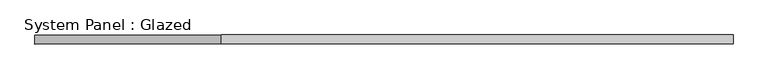
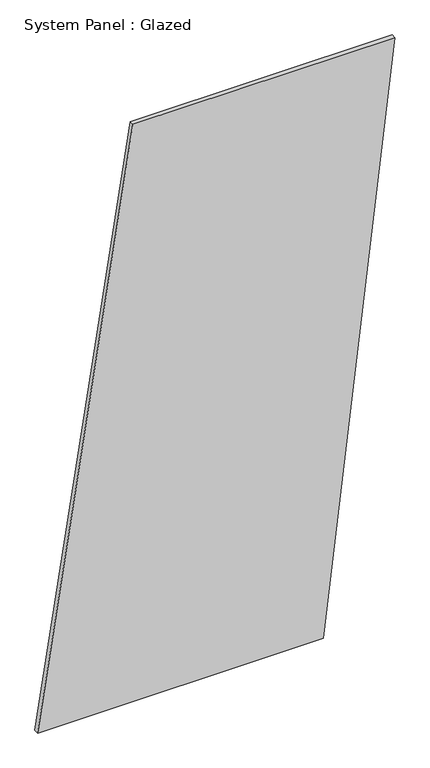
"""IFC4 building model written with IfcOpenShell, lengths in millimetres: plate geometry, System Panel : Glazed."""

import ifcopenshell
import ifcopenshell.guid

model = None  # the IFC model being written
_history = None  # IfcOwnerHistory: only IFC2X3 demands one
_inside = {}  # id of a spatial element -> (the spatial element, [elements in it])
_under = {}  # id of a project, library or spatial element -> (it, [spatial elements below it])
_declared = {}  # id of a project -> (the project, [libraries it declares])
_typed = {}  # id of a type object -> (the type object, [elements of that type])
_made_of = {}  # id of a material, layer set ... -> (it, [elements and type objects made of it])


def new_model(schema):
    """Start an empty IFC model of exactly this schema.

    Asked for "IFC4X3", IfcOpenShell would pick the latest addendum, in which some entities
    have other attributes; the version numbers below select the first issue.
    IFC2X3 requires an IfcOwnerHistory on every rooted entity: one is made here for all.
    """
    global model, _history
    if schema == "IFC4X3":
        model = ifcopenshell.file(schema_version=(4, 3, 0, 0))
    else:
        model = ifcopenshell.file(schema=schema)
    _inside.clear()
    _under.clear()
    _declared.clear()
    _typed.clear()
    _made_of.clear()
    _history = None
    if model.schema == "IFC2X3":
        org = make("IfcOrganization", Name="unknown")
        user = make(
            "IfcPersonAndOrganization",
            ThePerson=make("IfcPerson", FamilyName="unknown"),
            TheOrganization=org,
        )
        app = make(
            "IfcApplication",
            ApplicationDeveloper=org,
            Version="unknown",
            ApplicationFullName="unknown",
            ApplicationIdentifier="unknown",
        )
        _history = make(
            "IfcOwnerHistory",
            OwningUser=user,
            OwningApplication=app,
            ChangeAction="ADDED",
            CreationDate=0,
        )
    return model


def make(cls, **values):
    """One entity of the class cls with the attributes given. An attribute that is None is left unset."""
    return model.create_entity(
        cls, **{name: value for name, value in values.items() if value is not None}
    )


def rooted(cls, **values):
    """An entity with a GlobalId (a new one), such as an element, a storey or a relation."""
    return make(cls, GlobalId=ifcopenshell.guid.new(), OwnerHistory=_history, **values)


def si_unit(unit_type, name, prefix=None):
    """IfcSIUnit, for example si_unit("LENGTHUNIT", "METRE", prefix="MILLI")."""
    return make("IfcSIUnit", UnitType=unit_type, Prefix=prefix, Name=name)


def assignment(units):
    """IfcUnitAssignment: the units of a project."""
    return None if units is None else make("IfcUnitAssignment", Units=units)


def point(xyz):
    """IfcCartesianPoint."""
    return None if xyz is None else make("IfcCartesianPoint", Coordinates=xyz)


def direction(xyz):
    """IfcDirection."""
    return None if xyz is None else make("IfcDirection", DirectionRatios=xyz)


def frame(location, z_axis=None, x_axis=None):
    """IfcAxis2Placement3D, a coordinate frame: its origin and axes. An axis left out is left unset."""
    return make(
        "IfcAxis2Placement3D",
        Location=point(location),
        Axis=direction(z_axis),
        RefDirection=direction(x_axis),
    )


def origin():
    """The frame at (0, 0, 0) with its axes left unset."""
    return frame((0.0, 0.0, 0.0))


def place(relative_to, where):
    """IfcLocalPlacement: puts the frame where relative to a parent placement (None: the world)."""
    return make(
        "IfcLocalPlacement", PlacementRelTo=relative_to, RelativePlacement=where
    )


def context(
    kind, dimensions, precision=None, world=None, true_north=None, identifier=None
):
    """IfcGeometricRepresentationContext, for example the 3D "Model" context."""
    return make(
        "IfcGeometricRepresentationContext",
        ContextIdentifier=identifier,
        ContextType=kind,
        CoordinateSpaceDimension=dimensions,
        Precision=precision,
        WorldCoordinateSystem=world,
        TrueNorth=true_north,
    )


def project(units=None, contexts=None):
    """IfcProject with its units and contexts."""
    return rooted(
        "IfcProject",
        Name="project",
        RepresentationContexts=contexts,
        UnitsInContext=assignment(units),
    )


def spatial(cls, under=None, at=None, **own):
    """A site, building, storey or space (cls), placed at a placement, below another one or the project."""
    s = rooted(cls, ObjectPlacement=at, **own)
    if under is not None:
        _under.setdefault(under.id(), (under, []))[1].append(s)
    return s


def polyline(points):
    """IfcPolyline through the points."""
    return make("IfcPolyline", Points=[point(p) for p in points])


def outline(outer, holes=None, kind="AREA"):
    """IfcArbitraryClosedProfileDef: a profile drawn as a closed curve; with holes, ...WithVoids."""
    if holes is None:
        return make("IfcArbitraryClosedProfileDef", ProfileType=kind, OuterCurve=outer)
    return make(
        "IfcArbitraryProfileDefWithVoids",
        ProfileType=kind,
        OuterCurve=outer,
        InnerCurves=holes,
    )


def extrude(swept, where, along, depth):
    """IfcExtrudedAreaSolid: the profile swept, set in the frame where, extruded along a direction by depth."""
    return make(
        "IfcExtrudedAreaSolid",
        SweptArea=swept,
        Position=where,
        ExtrudedDirection=direction(along),
        Depth=depth,
    )


def shape(context_of_items, identifier, shape_type, items):
    """IfcShapeRepresentation: the items that make up one representation, for example the "Body"."""
    return make(
        "IfcShapeRepresentation",
        ContextOfItems=context_of_items,
        RepresentationIdentifier=identifier,
        RepresentationType=shape_type,
        Items=items,
    )


def source(mapping_origin, context_of_items, identifier, shape_type, items):
    """IfcRepresentationMap: a shape defined once, which mapped items show again and again."""
    return make(
        "IfcRepresentationMap",
        MappingOrigin=mapping_origin,
        MappedRepresentation=shape(context_of_items, identifier, shape_type, items),
    )


def transform(
    local_origin,
    x_axis=None,
    y_axis=None,
    z_axis=None,
    scale=None,
    scale2=None,
    scale3=None,
    uniform=True,
):
    """IfcCartesianTransformationOperator3D, or its non-uniform kind. x_axis, y_axis, z_axis: its Axis1, 2, 3."""
    if uniform:
        return make(
            "IfcCartesianTransformationOperator3D",
            Axis1=direction(x_axis),
            Axis2=direction(y_axis),
            LocalOrigin=point(local_origin),
            Scale=scale,
            Axis3=direction(z_axis),
        )
    return make(
        "IfcCartesianTransformationOperator3DnonUniform",
        Axis1=direction(x_axis),
        Axis2=direction(y_axis),
        LocalOrigin=point(local_origin),
        Scale=scale,
        Axis3=direction(z_axis),
        Scale2=scale2,
        Scale3=scale3,
    )


def mapped(mapping_source, mapping_target):
    """IfcMappedItem: shows the shape of a source again, moved by a transform."""
    return make(
        "IfcMappedItem", MappingSource=mapping_source, MappingTarget=mapping_target
    )


def made_of(thing, what):
    """Note that an element or type object is made of a material, layer set ...; save() writes the relation."""
    if what is not None:
        _made_of.setdefault(what.id(), (what, []))[1].append(thing)
    return thing


def element(
    cls,
    number,
    at=None,
    inside=None,
    cuts=None,
    type_object=None,
    material=None,
    context=None,
    identifier="Body",
    shape_type=None,
    held_by="IfcProductDefinitionShape",
    body=None,
    shapes=None,
    **own,
):
    """One element of the class cls, such as IfcWall. Its Tag is "e" and its number.

    at: its placement. inside: the storey or other place that contains it. cuts: it is an
    opening in that element (IfcRelVoidsElement). A single representation is given by context,
    identifier, shape_type and body (its items); several are given by shapes. held_by: the class
    of the entity that holds the representations. save() writes the other relations.
    """
    e = rooted(cls, Tag="e%d" % number, ObjectPlacement=at, **own)
    if body is not None:
        shapes = [shape(context, identifier, shape_type, body)]
    if shapes is not None:
        e.Representation = make(held_by, Representations=shapes)
    if inside is not None:
        _inside.setdefault(inside.id(), (inside, []))[1].append(e)
    if cuts is not None:
        rooted(
            "IfcRelVoidsElement", RelatingBuildingElement=cuts, RelatedOpeningElement=e
        )
    if type_object is not None:
        _typed.setdefault(type_object.id(), (type_object, []))[1].append(e)
    return made_of(e, material)


def aggregate(whole, parts):
    """IfcRelAggregates: a whole, such as a stair, and the parts it consists of."""
    return rooted("IfcRelAggregates", RelatingObject=whole, RelatedObjects=parts)


def save(model, path):
    """Write the relations noted so far, then the file.

    IfcRelAggregates (storeys below a building ...), IfcRelContainedInSpatialStructure (elements
    in a storey), IfcRelDefinesByType, IfcRelAssociatesMaterial and IfcRelDeclares: one each for
    every whole, place, type object, material and project.
    """
    for whole, parts in _under.values():
        aggregate(whole, parts)
    for where, things in _inside.values():
        rooted(
            "IfcRelContainedInSpatialStructure",
            RelatedElements=things,
            RelatingStructure=where,
        )
    for kind, things in _typed.values():
        rooted("IfcRelDefinesByType", RelatedObjects=things, RelatingType=kind)
    for what, things in _made_of.values():
        rooted("IfcRelAssociatesMaterial", RelatedObjects=things, RelatingMaterial=what)
    for by, libraries in _declared.values():
        rooted("IfcRelDeclares", RelatingContext=by, RelatedDefinitions=libraries)
    model.write(path)


def system_panel_glazed_f0a2bbd0(model_context):
    return source(origin(), model_context, "Body", "SweptSolid", [
        extrude(outline(polyline([(0.0, -975.1709417), (0.0, 584.596344), (3332.1999183, 975.1709417), (3332.1999183, -454.4048114), (0.0, -975.1709417)])), frame((0.0, -49.5, 0.0), z_axis=(0.0, 1.0, 0.0), x_axis=(0.0, 0.0, 1.0)), (0.0, 0.0, 1.0), 25.0),
    ])


if __name__ == "__main__":
    model = new_model("IFC4")
    model_context = context("Model", 3, world=origin())
    ifc_project = project(units=[si_unit("LENGTHUNIT", "METRE", prefix="MILLI")], contexts=[model_context])
    site = spatial("IfcSite", under=ifc_project)
    building = spatial("IfcBuilding", under=site)
    placement = place(None, origin())
    system_panel_glazed_shape = system_panel_glazed_f0a2bbd0(model_context)
    element("IfcPlate", 1, ObjectType="System Panel : Glazed", at=placement, inside=building, context=model_context, shape_type="MappedRepresentation", body=[
        mapped(system_panel_glazed_shape, transform((0.0, 0.0, 0.0), x_axis=(1.0, 0.0, 0.0), y_axis=(0.0, 1.0, 0.0), z_axis=(0.0, 0.0, 1.0))),
    ])
    save(model, "model.ifc")
